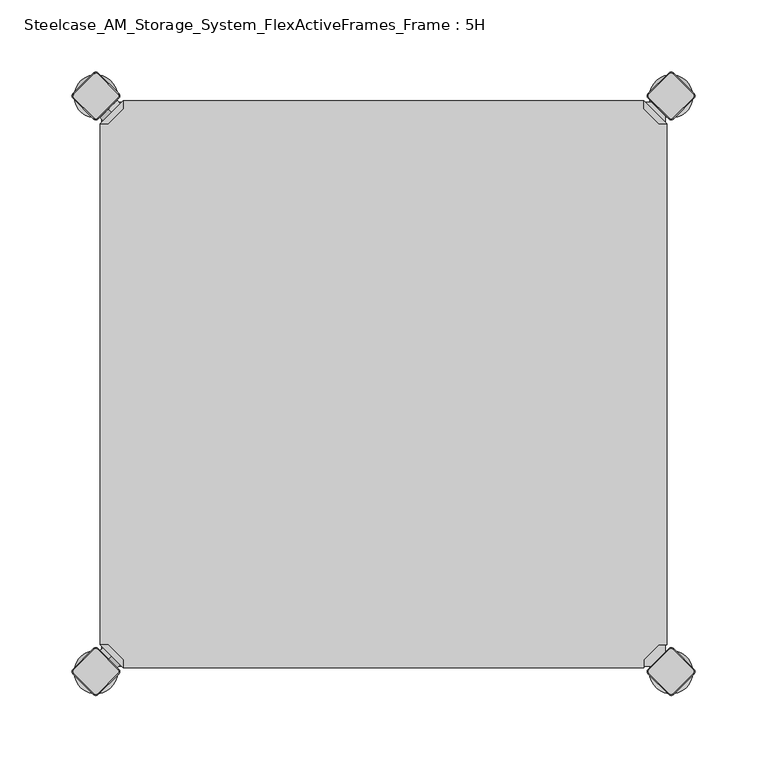
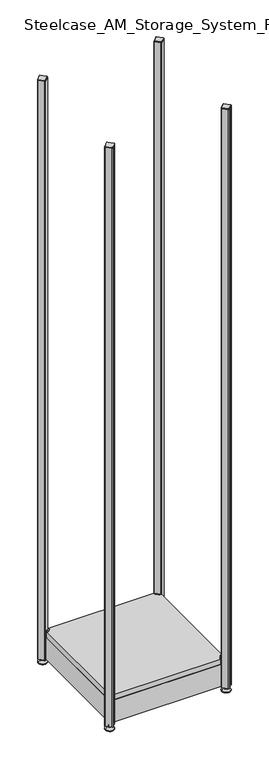
"""IFC4 building model written with IfcOpenShell, lengths in millimetres: furniture geometry, Steelcase_AM_Storage_System_FlexActiveFrames_Frame : 5H."""

from ifc_helpers import new_model, si_unit, point, frame, frame_2d, origin, place, context, project, spatial, polyline, circle_curve, trimmed, segment, composite_curve, outline, extrude, source, transform, mapped, element, save
from ifc_brep_helpers import plane_surface, cylinder_surface, revolved_surface, advanced_brep


def steelcase_am_storage_system_flexactiveframes_frame_5h_4ddd023f(model_context):
    return source(origin(), model_context, "Body", "SolidModel", [
        advanced_brep(
        [(381.0796898, 397.0, 117.0), (381.0796898, 391.3431458, 117.0), (391.3431458, 381.0796898, 117.0), (397.0, 381.0796898, 117.0), (397.0, 381.0796898, 98.0), (397.0, 381.0796898, 97.0), (381.0796898, 397.0, 97.0), (381.0796898, 397.0, 98.0), (381.0796898, 391.3431458, 98.0), (391.3431458, 381.0796898, 98.0), (352.2702923, 368.1906025, 98.0), (368.1906025, 352.2702923, 98.0), (368.1906025, 352.2702923, 97.0), (352.2702923, 368.1906025, 97.0)],
        [
            (0, 1),
            (1, 2),
            (2, 3),
            (3, 0),
            (3, 4),
            (4, 5),
            (5, 6),
            (6, 7),
            (7, 0),
            (1, 8),
            (8, 9),
            (9, 2),
            (7, 8),
            (9, 4),
            (7, 10),
            (10, 11, circle_curve(frame((360.2304474, 360.2304474, 98.0), z_axis=(0.0, 0.0, 1.0), x_axis=(-1.0, 0.0, 0.0)), 11.2573593)),
            (11, 4),
            (5, 12),
            (12, 13, circle_curve(frame((360.2304474, 360.2304474, 97.0), z_axis=(0.0, 0.0, -1.0), x_axis=(-1.0, 0.0, 0.0)), 11.2573593)),
            (13, 6),
            (11, 12),
            (10, 13),
        ],
        [
            plane_surface(frame((438.8756299, 339.2040599, 117.0), z_axis=(0.0, 0.0, 1.0000000000000002), x_axis=(0.7071067811865511, -0.707106781186544, 0.0))),
            plane_surface(frame((381.0796898, 397.0, 117.0), z_axis=(0.707106781186544, 0.7071067811865511, 0.0), x_axis=(0.0, 0.0, -1.0))),
            plane_surface(frame((391.3431458, 381.0796898, 117.0), z_axis=(-0.7071067811865527, -0.7071067811865424, 0.0), x_axis=(0.0, 0.0, -1.0))),
            plane_surface(frame((381.0796898, 391.3431458, 117.0), z_axis=(-1.0, 0.0, 0.0), x_axis=(0.0, 0.0, -1.0))),
            plane_surface(frame((397.0, 381.0796898, 117.0), z_axis=(0.0, -1.0, 0.0), x_axis=(0.0, 0.0, -1.0))),
            plane_surface(frame((397.0, 381.0796898, 98.0), z_axis=(0.0, 0.0, 1.0), x_axis=(0.7071067811865439, -0.7071067811865511, 0.0))),
            plane_surface(frame((397.0, 381.0796898, 97.0), z_axis=(0.0, 0.0, -1.0), x_axis=(-0.7071067811865439, 0.7071067811865511, 0.0))),
            plane_surface(frame((397.0, 381.0796898, 98.0), z_axis=(0.7071067811865446, -0.7071067811865506, 0.0), x_axis=(0.0, 0.0, -1.0))),
            cylinder_surface(frame((360.2304474, 360.2304474, 97.0), z_axis=(0.0, 0.0, 1.0), x_axis=(-1.0, 0.0, 0.0)), 11.2573593),
            plane_surface(frame((352.2702923, 368.1906025, 98.0), z_axis=(-0.7071067811865435, 0.7071067811865517, 0.0), x_axis=(0.0, 0.0, -1.0))),
        ],
        [
            (0, [[1, 2, 3, 4]]),
            (1, [[5, 6, 7, 8, 9, -4]]),
            (2, [[10, 11, 12, -2]]),
            (3, [[-9, 13, -10, -1]]),
            (4, [[-12, 14, -5, -3]]),
            (5, [[-14, -11, -13, 15, 16, 17]]),
            (6, [[-7, 18, 19, 20]]),
            (7, [[21, -18, -6, -17]]),
            (8, [[22, -19, -21, -16]]),
            (9, [[-8, -20, -22, -15]]),
        ],
    ),
        advanced_brep(
        [(10.9601551, 389.0398449, 98.5), (10.9601551, 389.0398449, 115.5), (10.9601551, 389.0398449, 107.0), (8.8388348, 391.1611652, 98.5), (8.8388348, 391.1611652, 115.5), (8.8388348, 391.1611652, 107.0)],
        [
            (0, 1, circle_curve(frame((10.9601551, 389.0398449, 107.0), z_axis=(0.7071067811865509, -0.7071067811865441, 0.0), x_axis=(0.0, 0.0, 1.0)), 8.5)),
            (1, 2),
            (2, 0),
            (1, 0, circle_curve(frame((10.9601551, 389.0398449, 107.0), z_axis=(0.7071067811865509, -0.7071067811865441, 0.0), x_axis=(0.0, 0.0, 1.0)), 8.5)),
            (3, 4, circle_curve(frame((8.8388348, 391.1611652, 107.0), z_axis=(0.7071067811865509, -0.7071067811865441, 0.0), x_axis=(0.0, 0.0, 1.0)), 8.5)),
            (4, 1),
            (0, 3),
            (4, 3, circle_curve(frame((8.8388348, 391.1611652, 107.0), z_axis=(0.7071067811865509, -0.7071067811865441, 0.0), x_axis=(0.0, 0.0, 1.0)), 8.5)),
            (5, 4),
            (3, 5),
        ],
        [
            plane_surface(frame((10.9601551, 389.0398449, 107.0), z_axis=(0.7071067811865506, -0.7071067811865446, 0.0), x_axis=(0.0, 0.0, 1.0))),
            cylinder_surface(frame((8.8388348, 391.1611652, 107.0), z_axis=(-0.7071067811865509, 0.7071067811865441, 0.0), x_axis=(0.0, 0.0, 1.0)), 8.5),
            plane_surface(frame((8.8388348, 391.1611652, 107.0), z_axis=(-0.7071067811865506, 0.7071067811865446, 0.0), x_axis=(0.0, 0.0, 1.0))),
        ],
        [
            (0, [[1, 2, 3]]),
            (0, [[4, -3, -2]]),
            (1, [[5, 6, -1, 7]]),
            (1, [[8, -7, -4, -6]]),
            (2, [[9, -5, 10]]),
            (2, [[-10, -8, -9]]),
        ],
    ),
        advanced_brep(
        [(18.9203102, 397.0, 117.0), (3.0, 381.0796898, 117.0), (8.6568542, 381.0796898, 117.0), (18.9203102, 391.3431458, 117.0), (18.9203102, 397.0, 98.0), (18.9203102, 397.0, 97.0), (3.0, 381.0796898, 97.0), (3.0, 381.0796898, 98.0), (8.6568542, 381.0796898, 98.0), (18.9203102, 391.3431458, 98.0), (31.8093975, 352.2702923, 98.0), (47.7297077, 368.1906025, 98.0), (47.7297077, 368.1906025, 97.0), (31.8093975, 352.2702923, 97.0)],
        [
            (0, 1),
            (1, 2),
            (2, 3),
            (3, 0),
            (0, 4),
            (4, 5),
            (5, 6),
            (6, 7),
            (7, 1),
            (2, 8),
            (8, 9),
            (9, 3),
            (9, 4),
            (7, 8),
            (7, 10),
            (10, 11, circle_curve(frame((39.7695526, 360.2304474, 98.0), z_axis=(0.0, 0.0, 1.0), x_axis=(1.0, 0.0, 0.0)), 11.2573593)),
            (11, 4),
            (5, 12),
            (12, 13, circle_curve(frame((39.7695526, 360.2304474, 97.0), z_axis=(0.0, 0.0, -1.0), x_axis=(1.0, 0.0, 0.0)), 11.2573593)),
            (13, 6),
            (13, 10),
            (12, 11),
        ],
        [
            plane_surface(frame((-38.8756299, 339.2040599, 117.0), z_axis=(0.0, 0.0, 1.0000000000000002), x_axis=(-0.7071067811865511, -0.707106781186544, 0.0))),
            plane_surface(frame((18.9203102, 397.0, 117.0), z_axis=(-0.707106781186544, 0.7071067811865511, 0.0), x_axis=(0.0, 0.0, -1.0))),
            plane_surface(frame((8.6568542, 381.0796898, 117.0), z_axis=(0.7071067811865527, -0.7071067811865424, 0.0), x_axis=(0.0, 0.0, -1.0))),
            plane_surface(frame((18.9203102, 391.3431458, 117.0), z_axis=(1.0, 0.0, 0.0), x_axis=(0.0, 0.0, -1.0))),
            plane_surface(frame((3.0, 381.0796898, 117.0), z_axis=(0.0, -1.0, 0.0), x_axis=(0.0, 0.0, -1.0))),
            plane_surface(frame((3.0, 381.0796898, 98.0), z_axis=(0.0, 0.0, 1.0), x_axis=(-0.7071067811865439, -0.7071067811865511, 0.0))),
            plane_surface(frame((3.0, 381.0796898, 97.0), z_axis=(0.0, 0.0, -1.0), x_axis=(0.7071067811865439, 0.7071067811865511, 0.0))),
            plane_surface(frame((3.0, 381.0796898, 98.0), z_axis=(-0.7071067811865446, -0.7071067811865506, 0.0), x_axis=(0.0, 0.0, -1.0))),
            cylinder_surface(frame((39.7695526, 360.2304474, 97.0), z_axis=(0.0, 0.0, 1.0), x_axis=(1.0, 0.0, 0.0)), 11.2573593),
            plane_surface(frame((47.7297077, 368.1906025, 98.0), z_axis=(0.7071067811865435, 0.7071067811865517, 0.0), x_axis=(0.0, 0.0, -1.0))),
        ],
        [
            (0, [[1, 2, 3, 4]]),
            (1, [[-1, 5, 6, 7, 8, 9]]),
            (2, [[-3, 10, 11, 12]]),
            (3, [[-4, -12, 13, -5]]),
            (4, [[-2, -9, 14, -10]]),
            (5, [[15, 16, 17, -13, -11, -14]]),
            (6, [[18, 19, 20, -7]]),
            (7, [[-15, -8, -20, 21]]),
            (8, [[-16, -21, -19, 22]]),
            (9, [[-17, -22, -18, -6]]),
        ],
    ),
        advanced_brep(
        [(10.9601551, 10.9601551, 98.5), (10.9601551, 10.9601551, 107.0), (10.9601551, 10.9601551, 115.5), (8.8388348, 8.8388348, 98.5), (8.8388348, 8.8388348, 115.5), (8.8388348, 8.8388348, 107.0)],
        [
            (0, 1),
            (1, 2),
            (2, 0, circle_curve(frame((10.9601551, 10.9601551, 107.0), z_axis=(0.7071067811865464, 0.7071067811865487, 0.0), x_axis=(0.0, 0.0, 1.0)), 8.5)),
            (0, 2, circle_curve(frame((10.9601551, 10.9601551, 107.0), z_axis=(0.7071067811865464, 0.7071067811865487, 0.0), x_axis=(0.0, 0.0, 1.0)), 8.5)),
            (3, 0),
            (2, 4),
            (4, 3, circle_curve(frame((8.8388348, 8.8388348, 107.0), z_axis=(0.7071067811865464, 0.7071067811865487, 0.0), x_axis=(0.0, 0.0, 1.0)), 8.5)),
            (3, 4, circle_curve(frame((8.8388348, 8.8388348, 107.0), z_axis=(0.7071067811865464, 0.7071067811865487, 0.0), x_axis=(0.0, 0.0, 1.0)), 8.5)),
            (5, 3),
            (4, 5),
        ],
        [
            plane_surface(frame((10.9601551, 10.9601551, 107.0), z_axis=(0.707106781186546, 0.7071067811865491, 0.0), x_axis=(0.0, 0.0, 1.0))),
            cylinder_surface(frame((8.8388348, 8.8388348, 107.0), z_axis=(-0.7071067811865464, -0.7071067811865487, 0.0), x_axis=(0.0, 0.0, 1.0)), 8.5),
            plane_surface(frame((8.8388348, 8.8388348, 107.0), z_axis=(-0.707106781186546, -0.7071067811865491, 0.0), x_axis=(0.0, 0.0, 1.0))),
        ],
        [
            (0, [[1, 2, 3]]),
            (0, [[-2, -1, 4]]),
            (1, [[5, -3, 6, 7]]),
            (1, [[-6, -4, -5, 8]]),
            (2, [[9, -7, 10]]),
            (2, [[-10, -8, -9]]),
        ],
    ),
        advanced_brep(
        [(18.9203102, 3.0, 117.0), (18.9203102, 8.6568542, 117.0), (8.6568542, 18.9203102, 117.0), (3.0, 18.9203102, 117.0), (3.0, 18.9203102, 98.0), (3.0, 18.9203102, 97.0), (18.9203102, 3.0, 97.0), (18.9203102, 3.0, 98.0), (18.9203102, 8.6568542, 98.0), (8.6568542, 18.9203102, 98.0), (47.7297077, 31.8093975, 98.0), (31.8093975, 47.7297077, 98.0), (31.8093975, 47.7297077, 97.0), (47.7297077, 31.8093975, 97.0)],
        [
            (0, 1),
            (1, 2),
            (2, 3),
            (3, 0),
            (3, 4),
            (4, 5),
            (5, 6),
            (6, 7),
            (7, 0),
            (1, 8),
            (8, 9),
            (9, 2),
            (7, 8),
            (9, 4),
            (7, 10),
            (10, 11, circle_curve(frame((39.7695526, 39.7695526, 98.0), z_axis=(0.0, 0.0, 1.0), x_axis=(1.0, 0.0, 0.0)), 11.2573593)),
            (11, 4),
            (5, 12),
            (12, 13, circle_curve(frame((39.7695526, 39.7695526, 97.0), z_axis=(0.0, 0.0, -1.0), x_axis=(1.0, 0.0, 0.0)), 11.2573593)),
            (13, 6),
            (11, 12),
            (10, 13),
        ],
        [
            plane_surface(frame((-38.8756299, 60.7959401, 117.0), z_axis=(0.0, 0.0, 1.0000000000000002), x_axis=(-0.7071067811865557, 0.7071067811865395, 0.0))),
            plane_surface(frame((18.9203102, 3.0, 117.0), z_axis=(-0.7071067811865395, -0.7071067811865557, 0.0), x_axis=(0.0, 0.0, -1.0))),
            plane_surface(frame((8.6568542, 18.9203102, 117.0), z_axis=(0.7071067811865481, 0.7071067811865469, 0.0), x_axis=(0.0, 0.0, -1.0))),
            plane_surface(frame((18.9203102, 8.6568542, 117.0), z_axis=(1.0, 0.0, 0.0), x_axis=(0.0, 0.0, -1.0))),
            plane_surface(frame((3.0, 18.9203102, 117.0), z_axis=(0.0, 1.0, 0.0), x_axis=(0.0, 0.0, -1.0))),
            plane_surface(frame((3.0, 18.9203102, 98.0), z_axis=(0.0, 0.0, 1.0), x_axis=(-0.7071067811865485, 0.7071067811865466, 0.0))),
            plane_surface(frame((3.0, 18.9203102, 97.0), z_axis=(0.0, 0.0, -1.0), x_axis=(0.7071067811865485, -0.7071067811865466, 0.0))),
            plane_surface(frame((3.0, 18.9203102, 98.0), z_axis=(-0.7071067811865491, 0.707106781186546, 0.0), x_axis=(0.0, 0.0, -1.0))),
            cylinder_surface(frame((39.7695526, 39.7695526, 97.0), z_axis=(0.0, 0.0, 1.0), x_axis=(1.0, 0.0, 0.0)), 11.2573593),
            plane_surface(frame((47.7297077, 31.8093975, 98.0), z_axis=(0.707106781186548, -0.7071067811865471, 0.0), x_axis=(0.0, 0.0, -1.0))),
        ],
        [
            (0, [[1, 2, 3, 4]]),
            (1, [[5, 6, 7, 8, 9, -4]]),
            (2, [[10, 11, 12, -2]]),
            (3, [[-9, 13, -10, -1]]),
            (4, [[-12, 14, -5, -3]]),
            (5, [[-14, -11, -13, 15, 16, 17]]),
            (6, [[-7, 18, 19, 20]]),
            (7, [[21, -18, -6, -17]]),
            (8, [[22, -19, -21, -16]]),
            (9, [[-8, -20, -22, -15]]),
        ],
    ),
        extrude(outline(polyline([(381.0796898, 3.0), (18.9203102, 3.0), (18.9203102, 8.6568542), (8.6568542, 18.9203102), (3.0, 18.9203102), (3.0, 381.0796898), (8.6568542, 381.0796898), (18.9203102, 391.3431458), (18.9203102, 397.0), (381.0796898, 397.0), (381.0796898, 391.3431458), (391.3431458, 381.0796898), (397.0, 381.0796898), (397.0, 18.9203102), (391.3431458, 18.9203102), (381.0796898, 8.6568542), (381.0796898, 3.0)])), frame((0.0, 0.0, 98.0), z_axis=(0.0, 0.0, 1.0), x_axis=(1.0, 0.0, 0.0)), (0.0, 0.0, 1.0), 19.0),
        advanced_brep(
        [(385.0, 400.0, 0.0), (400.0, 400.0, 0.0), (415.0, 400.0, 0.0), (385.0, 400.0, 2.0), (415.0, 400.0, 2.0), (392.0, 400.0, 9.0), (408.0, 400.0, 9.0), (396.0, 400.0, 9.0), (404.0, 400.0, 9.0), (396.0, 400.0, 15.0), (404.0, 400.0, 15.0), (400.0, 400.0, 15.0)],
        [
            (0, 1),
            (1, 2),
            (2, 0, circle_curve(frame((400.0, 400.0, 0.0), z_axis=(0.0, 0.0, -1.0), x_axis=(1.0, 0.0, 0.0)), 15.0)),
            (0, 2, circle_curve(frame((400.0, 400.0, 0.0), z_axis=(0.0, 0.0, -1.0), x_axis=(1.0, 0.0, 0.0)), 15.0)),
            (3, 0),
            (2, 4),
            (4, 3, circle_curve(frame((400.0, 400.0, 2.0), z_axis=(0.0, 0.0, -1.0), x_axis=(1.0, 0.0, 0.0)), 15.0)),
            (3, 4, circle_curve(frame((400.0, 400.0, 2.0), z_axis=(0.0, 0.0, -1.0), x_axis=(1.0, 0.0, 0.0)), 15.0)),
            (5, 3),
            (4, 6),
            (6, 5, circle_curve(frame((400.0, 400.0, 9.0), z_axis=(0.0, 0.0, -1.0), x_axis=(1.0, 0.0, 0.0)), 8.0)),
            (5, 6, circle_curve(frame((400.0, 400.0, 9.0), z_axis=(0.0, 0.0, -1.0), x_axis=(1.0, 0.0, 0.0)), 8.0)),
            (7, 5),
            (6, 8),
            (8, 7, circle_curve(frame((400.0, 400.0, 9.0), z_axis=(0.0, 0.0, -1.0), x_axis=(1.0, 0.0, 0.0)), 4.0)),
            (7, 8, circle_curve(frame((400.0, 400.0, 9.0), z_axis=(0.0, 0.0, -1.0), x_axis=(1.0, 0.0, 0.0)), 4.0)),
            (9, 7),
            (8, 10),
            (10, 9, circle_curve(frame((400.0, 400.0, 15.0), z_axis=(0.0, 0.0, -1.0), x_axis=(1.0, 0.0, 0.0)), 4.0)),
            (9, 10, circle_curve(frame((400.0, 400.0, 15.0), z_axis=(0.0, 0.0, -1.0), x_axis=(1.0, 0.0, 0.0)), 4.0)),
            (11, 9),
            (10, 11),
        ],
        [
            plane_surface(frame((400.0, 400.0, 0.0), z_axis=(0.0, 0.0, -1.0), x_axis=(1.0, 0.0, 0.0))),
            cylinder_surface(frame((400.0, 400.0, 18.6083303), z_axis=(0.0, 0.0, 1.0), x_axis=(1.0, 0.0, 0.0)), 15.0),
            revolved_surface(polyline([(415.0, 400.0, 2.0), (408.0, 400.0, 9.0)]), (400.0, 400.0, 18.6083303), (0.0, 0.0, 1.0)),
            plane_surface(frame((400.0, 400.0, 9.0), z_axis=(0.0, 0.0, 1.0), x_axis=(1.0, 0.0, 0.0))),
            cylinder_surface(frame((400.0, 400.0, 18.6083303), z_axis=(0.0, 0.0, 1.0), x_axis=(1.0, 0.0, 0.0)), 4.0),
            plane_surface(frame((400.0, 400.0, 15.0), z_axis=(0.0, 0.0, 1.0), x_axis=(1.0, 0.0, 0.0))),
        ],
        [
            (0, [[1, 2, 3]]),
            (0, [[-2, -1, 4]]),
            (1, [[5, -3, 6, 7]]),
            (1, [[-6, -4, -5, 8]]),
            (2, [[9, -7, 10, 11]]),
            (2, [[-10, -8, -9, 12]]),
            (3, [[13, -11, 14, 15]]),
            (3, [[-14, -12, -13, 16]]),
            (4, [[17, -15, 18, 19]]),
            (4, [[-18, -16, -17, 20]]),
            (5, [[21, -19, 22]]),
            (5, [[-22, -20, -21]]),
        ],
    ),
        advanced_brep(
        [(398.7979185, 384.6557828, 2117.0), (401.2020815, 384.6557828, 2117.0), (415.3442172, 398.7979185, 2117.0), (415.3442172, 401.2020815, 2117.0), (401.2020815, 415.3442172, 2117.0), (398.7979185, 415.3442172, 2117.0), (384.6557828, 401.2020815, 2117.0), (384.6557828, 398.7979185, 2117.0), (398.232233, 384.0900974, 2115.0), (384.0900974, 398.232233, 2115.0), (384.0900974, 401.767767, 2115.0), (398.232233, 415.9099026, 2115.0), (401.767767, 415.9099026, 2115.0), (415.9099026, 401.767767, 2115.0), (415.9099026, 398.232233, 2115.0), (401.767767, 384.0900974, 2115.0)],
        [
            (0, 1, circle_curve(frame((400.0, 385.8578644, 2117.0), z_axis=(0.0, 0.0, 1.0), x_axis=(0.7071067811865458, -0.7071067811865492, 0.0)), 1.7)),
            (1, 2),
            (2, 3, circle_curve(frame((414.1421356, 400.0, 2117.0), z_axis=(0.0, 0.0, 1.0), x_axis=(0.707106781186539, 0.7071067811865559, 0.0)), 1.7)),
            (3, 4),
            (4, 5, circle_curve(frame((400.0, 414.1421356, 2117.0), z_axis=(0.0, 0.0, 1.0), x_axis=(-0.7071067811865491, 0.707106781186546, 0.0)), 1.7)),
            (5, 6),
            (6, 7, circle_curve(frame((385.8578644, 400.0, 2117.0), z_axis=(0.0, 0.0, 1.0), x_axis=(-0.7071067811865537, -0.7071067811865414, 0.0)), 1.7)),
            (7, 0),
            (8, 9),
            (9, 10, circle_curve(frame((385.8578644, 400.0, 2115.0), z_axis=(0.0, 0.0, -1.0), x_axis=(-0.7071067811865537, -0.7071067811865414, 0.0)), 2.5)),
            (10, 11),
            (11, 12, circle_curve(frame((400.0, 414.1421356, 2115.0), z_axis=(0.0, 0.0, -1.0), x_axis=(-0.7071067811865491, 0.707106781186546, 0.0)), 2.5)),
            (12, 13),
            (13, 14, circle_curve(frame((414.1421356, 400.0, 2115.0), z_axis=(0.0, 0.0, -1.0), x_axis=(0.707106781186539, 0.7071067811865559, 0.0)), 2.5)),
            (14, 15),
            (15, 8, circle_curve(frame((400.0, 385.8578644, 2115.0), z_axis=(0.0, 0.0, -1.0), x_axis=(0.7071067811865458, -0.7071067811865492, 0.0)), 2.5)),
            (8, 0),
            (7, 9),
            (6, 10),
            (5, 11),
            (4, 12),
            (3, 13),
            (2, 14),
            (1, 15),
        ],
        [
            plane_surface(frame((400.0, 400.0, 2117.0), z_axis=(0.0, 0.0, 1.0), x_axis=(-0.7071067811865486, -0.7071067811865466, 0.0))),
            plane_surface(frame((400.0, 400.0, 2115.0), z_axis=(0.0, 0.0, -1.0), x_axis=(-0.7071067811865486, -0.7071067811865466, 0.0))),
            plane_surface(frame((391.1611652, 391.1611652, 2115.0), z_axis=(-0.6565321642986406, -0.656532164298628, 0.3713906763540281), x_axis=(-0.7071067811865408, 0.7071067811865543, 0.0))),
            revolved_surface(polyline([(384.65578284, 398.79791844, 2117.0), (384.0900974, 398.232233, 2115.0)]), (385.8578644, 400.0, 2121.25), (0.0, 0.0, -1.0)),
            plane_surface(frame((391.1611652, 408.8388348, 2115.0), z_axis=(-0.6565321642986325, 0.6565321642986414, 0.3713906763540188), x_axis=(0.7071067811865523, 0.7071067811865428, 0.0))),
            revolved_surface(polyline([(398.79791844, 415.34421716, 2117.0), (398.232233, 415.9099026, 2115.0)]), (400.0, 414.1421356, 2121.25), (0.0, 0.0, -1.0)),
            plane_surface(frame((408.8388348, 408.8388348, 2115.0), z_axis=(0.6565321642986457, 0.6565321642986508, 0.3713906763539787), x_axis=(0.7071067811865541, -0.707106781186541, 0.0))),
            revolved_surface(polyline([(415.34421716, 401.20208156, 2117.0), (415.9099026, 401.767767, 2115.0)]), (414.1421356, 400.0, 2121.25), (0.0, 0.0, -1.0)),
            plane_surface(frame((408.8388348, 391.1611652, 2115.0), z_axis=(0.656532164298657, -0.6565321642986371, 0.37139067635398293), x_axis=(-0.7071067811865407, -0.7071067811865545, 0.0))),
            revolved_surface(polyline([(401.20208156, 384.65578284, 2117.0), (401.767767, 384.0900974, 2115.0)]), (400.0, 385.8578644, 2121.25), (0.0, 0.0, -1.0)),
        ],
        [
            (0, [[1, 2, 3, 4, 5, 6, 7, 8]]),
            (1, [[9, 10, 11, 12, 13, 14, 15, 16]]),
            (2, [[17, -8, 18, -9]]),
            (3, [[-18, -7, 19, -10]]),
            (4, [[-19, -6, 20, -11]]),
            (5, [[-20, -5, 21, -12]]),
            (6, [[-21, -4, 22, -13]]),
            (7, [[-22, -3, 23, -14]]),
            (8, [[-23, -2, 24, -15]]),
            (9, [[-24, -1, -17, -16]]),
        ],
    ),
        extrude(outline(composite_curve([segment(polyline([(415.9099026, 398.232233), (401.767767, 384.0900974)]), True, "CONTINUOUS"), segment(trimmed(circle_curve(frame_2d((400.0, 385.8578644)), 2.5), [point((401.767767, 384.0900974))], [point((398.232233, 384.0900974))], False, "CARTESIAN"), True, "CONTINUOUS"), segment(polyline([(398.232233, 384.0900974), (384.0900974, 398.232233)]), True, "CONTINUOUS"), segment(trimmed(circle_curve(frame_2d((385.8578644, 400.0)), 2.5), [point((384.0900974, 398.232233))], [point((384.0900974, 401.767767))], False, "CARTESIAN"), True, "CONTINUOUS"), segment(polyline([(384.0900974, 401.767767), (398.232233, 415.9099026)]), True, "CONTINUOUS"), segment(trimmed(circle_curve(frame_2d((400.0, 414.1421356)), 2.5), [point((398.232233, 415.9099026))], [point((401.767767, 415.9099026))], False, "CARTESIAN"), True, "CONTINUOUS"), segment(polyline([(401.767767, 415.9099026), (415.9099026, 401.767767)]), True, "CONTINUOUS"), segment(trimmed(circle_curve(frame_2d((414.1421356, 400.0)), 2.5), [point((415.9099026, 401.767767))], [point((415.9099026, 398.232233))], False, "CARTESIAN"), True, "CONTINUOUS")], self_intersect=False)), frame((0.0, 0.0, 15.0), z_axis=(0.0, 0.0, 1.0), x_axis=(1.0, 0.0, 0.0)), (0.0, 0.0, 1.0), 2100.0),
        advanced_brep(
        [(385.0, 0.0, 0.0), (400.0, 0.0, 0.0), (415.0, 0.0, 0.0), (385.0, 0.0, 2.0), (415.0, 0.0, 2.0), (392.0, 0.0, 9.0), (408.0, 0.0, 9.0), (396.0, 0.0, 9.0), (404.0, 0.0, 9.0), (396.0, 0.0, 15.0), (404.0, 0.0, 15.0), (400.0, 0.0, 15.0)],
        [
            (0, 1),
            (1, 2),
            (2, 0, circle_curve(frame((400.0, 0.0, 0.0), z_axis=(0.0, 0.0, -1.0), x_axis=(1.0, 0.0, 0.0)), 15.0)),
            (0, 2, circle_curve(frame((400.0, 0.0, 0.0), z_axis=(0.0, 0.0, -1.0), x_axis=(1.0, 0.0, 0.0)), 15.0)),
            (3, 0),
            (2, 4),
            (4, 3, circle_curve(frame((400.0, 0.0, 2.0), z_axis=(0.0, 0.0, -1.0), x_axis=(1.0, 0.0, 0.0)), 15.0)),
            (3, 4, circle_curve(frame((400.0, 0.0, 2.0), z_axis=(0.0, 0.0, -1.0), x_axis=(1.0, 0.0, 0.0)), 15.0)),
            (5, 3),
            (4, 6),
            (6, 5, circle_curve(frame((400.0, 0.0, 9.0), z_axis=(0.0, 0.0, -1.0), x_axis=(1.0, 0.0, 0.0)), 8.0)),
            (5, 6, circle_curve(frame((400.0, 0.0, 9.0), z_axis=(0.0, 0.0, -1.0), x_axis=(1.0, 0.0, 0.0)), 8.0)),
            (7, 5),
            (6, 8),
            (8, 7, circle_curve(frame((400.0, 0.0, 9.0), z_axis=(0.0, 0.0, -1.0), x_axis=(1.0, 0.0, 0.0)), 4.0)),
            (7, 8, circle_curve(frame((400.0, 0.0, 9.0), z_axis=(0.0, 0.0, -1.0), x_axis=(1.0, 0.0, 0.0)), 4.0)),
            (9, 7),
            (8, 10),
            (10, 9, circle_curve(frame((400.0, 0.0, 15.0), z_axis=(0.0, 0.0, -1.0), x_axis=(1.0, 0.0, 0.0)), 4.0)),
            (9, 10, circle_curve(frame((400.0, 0.0, 15.0), z_axis=(0.0, 0.0, -1.0), x_axis=(1.0, 0.0, 0.0)), 4.0)),
            (11, 9),
            (10, 11),
        ],
        [
            plane_surface(frame((400.0, 0.0, 0.0), z_axis=(0.0, 0.0, -1.0), x_axis=(1.0, 0.0, 0.0))),
            cylinder_surface(frame((400.0, 0.0, 18.6083303), z_axis=(0.0, 0.0, 1.0), x_axis=(1.0, 0.0, 0.0)), 15.0),
            revolved_surface(polyline([(415.0, 0.0, 2.0), (408.0, 0.0, 9.0)]), (400.0, 0.0, 18.6083303), (0.0, 0.0, 1.0)),
            plane_surface(frame((400.0, 0.0, 9.0), z_axis=(0.0, 0.0, 1.0), x_axis=(1.0, 0.0, 0.0))),
            cylinder_surface(frame((400.0, 0.0, 18.6083303), z_axis=(0.0, 0.0, 1.0), x_axis=(1.0, 0.0, 0.0)), 4.0),
            plane_surface(frame((400.0, 0.0, 15.0), z_axis=(0.0, 0.0, 1.0), x_axis=(1.0, 0.0, 0.0))),
        ],
        [
            (0, [[1, 2, 3]]),
            (0, [[-2, -1, 4]]),
            (1, [[5, -3, 6, 7]]),
            (1, [[-6, -4, -5, 8]]),
            (2, [[9, -7, 10, 11]]),
            (2, [[-10, -8, -9, 12]]),
            (3, [[13, -11, 14, 15]]),
            (3, [[-14, -12, -13, 16]]),
            (4, [[17, -15, 18, 19]]),
            (4, [[-18, -16, -17, 20]]),
            (5, [[21, -19, 22]]),
            (5, [[-22, -20, -21]]),
        ],
    ),
        advanced_brep(
        [(398.7979185, -15.3442172, 2117.0), (401.2020815, -15.3442172, 2117.0), (415.3442172, -1.2020815, 2117.0), (415.3442172, 1.2020815, 2117.0), (401.2020815, 15.3442172, 2117.0), (398.7979185, 15.3442172, 2117.0), (384.6557828, 1.2020815, 2117.0), (384.6557828, -1.2020815, 2117.0), (398.232233, -15.9099026, 2115.0), (384.0900974, -1.767767, 2115.0), (384.0900974, 1.767767, 2115.0), (398.232233, 15.9099026, 2115.0), (401.767767, 15.9099026, 2115.0), (415.9099026, 1.767767, 2115.0), (415.9099026, -1.767767, 2115.0), (401.767767, -15.9099026, 2115.0)],
        [
            (0, 1, circle_curve(frame((400.0, -14.1421356, 2117.0), z_axis=(0.0, 0.0, 1.0), x_axis=(0.7071067811865458, -0.7071067811865492, 0.0)), 1.7)),
            (1, 2),
            (2, 3, circle_curve(frame((414.1421356, 0.0, 2117.0), z_axis=(0.0, 0.0, 1.0), x_axis=(0.707106781186539, 0.7071067811865559, 0.0)), 1.7)),
            (3, 4),
            (4, 5, circle_curve(frame((400.0, 14.1421356, 2117.0), z_axis=(0.0, 0.0, 1.0), x_axis=(-0.7071067811865491, 0.707106781186546, 0.0)), 1.7)),
            (5, 6),
            (6, 7, circle_curve(frame((385.8578644, 0.0, 2117.0), z_axis=(0.0, 0.0, 1.0), x_axis=(-0.7071067811865537, -0.7071067811865414, 0.0)), 1.7)),
            (7, 0),
            (8, 9),
            (9, 10, circle_curve(frame((385.8578644, 0.0, 2115.0), z_axis=(0.0, 0.0, -1.0), x_axis=(-0.7071067811865537, -0.7071067811865414, 0.0)), 2.5)),
            (10, 11),
            (11, 12, circle_curve(frame((400.0, 14.1421356, 2115.0), z_axis=(0.0, 0.0, -1.0), x_axis=(-0.7071067811865491, 0.707106781186546, 0.0)), 2.5)),
            (12, 13),
            (13, 14, circle_curve(frame((414.1421356, 0.0, 2115.0), z_axis=(0.0, 0.0, -1.0), x_axis=(0.707106781186539, 0.7071067811865559, 0.0)), 2.5)),
            (14, 15),
            (15, 8, circle_curve(frame((400.0, -14.1421356, 2115.0), z_axis=(0.0, 0.0, -1.0), x_axis=(0.7071067811865458, -0.7071067811865492, 0.0)), 2.5)),
            (8, 0),
            (7, 9),
            (6, 10),
            (5, 11),
            (4, 12),
            (3, 13),
            (2, 14),
            (1, 15),
        ],
        [
            plane_surface(frame((400.0, 0.0, 2117.0), z_axis=(0.0, 0.0, 1.0), x_axis=(-0.7071067811865486, -0.7071067811865466, 0.0))),
            plane_surface(frame((400.0, 0.0, 2115.0), z_axis=(0.0, 0.0, -1.0), x_axis=(-0.7071067811865486, -0.7071067811865466, 0.0))),
            plane_surface(frame((391.1611652, -8.8388348, 2115.0), z_axis=(-0.6565321642986406, -0.656532164298628, 0.3713906763540281), x_axis=(-0.7071067811865408, 0.7071067811865543, 0.0))),
            revolved_surface(polyline([(384.65578284, -1.20208156, 2117.0), (384.0900974, -1.767767, 2115.0)]), (385.8578644, 0.0, 2121.25), (0.0, 0.0, -1.0)),
            plane_surface(frame((391.1611652, 8.8388348, 2115.0), z_axis=(-0.6565321642986325, 0.6565321642986414, 0.3713906763540188), x_axis=(0.7071067811865523, 0.7071067811865428, 0.0))),
            revolved_surface(polyline([(398.79791844, 15.34421716, 2117.0), (398.232233, 15.9099026, 2115.0)]), (400.0, 14.1421356, 2121.25), (0.0, 0.0, -1.0)),
            plane_surface(frame((408.8388348, 8.8388348, 2115.0), z_axis=(0.6565321642986457, 0.6565321642986508, 0.3713906763539787), x_axis=(0.7071067811865541, -0.707106781186541, 0.0))),
            revolved_surface(polyline([(415.34421716, 1.20208156, 2117.0), (415.9099026, 1.767767, 2115.0)]), (414.1421356, 0.0, 2121.25), (0.0, 0.0, -1.0)),
            plane_surface(frame((408.8388348, -8.8388348, 2115.0), z_axis=(0.656532164298657, -0.6565321642986371, 0.37139067635398293), x_axis=(-0.7071067811865407, -0.7071067811865545, 0.0))),
            revolved_surface(polyline([(401.20208156, -15.34421716, 2117.0), (401.767767, -15.9099026, 2115.0)]), (400.0, -14.1421356, 2121.25), (0.0, 0.0, -1.0)),
        ],
        [
            (0, [[1, 2, 3, 4, 5, 6, 7, 8]]),
            (1, [[9, 10, 11, 12, 13, 14, 15, 16]]),
            (2, [[17, -8, 18, -9]]),
            (3, [[-18, -7, 19, -10]]),
            (4, [[-19, -6, 20, -11]]),
            (5, [[-20, -5, 21, -12]]),
            (6, [[-21, -4, 22, -13]]),
            (7, [[-22, -3, 23, -14]]),
            (8, [[-23, -2, 24, -15]]),
            (9, [[-24, -1, -17, -16]]),
        ],
    ),
        extrude(outline(composite_curve([segment(polyline([(415.9099026, -1.767767), (401.767767, -15.9099026)]), True, "CONTINUOUS"), segment(trimmed(circle_curve(frame_2d((400.0, -14.1421356)), 2.5), [point((401.767767, -15.9099026))], [point((398.232233, -15.9099026))], False, "CARTESIAN"), True, "CONTINUOUS"), segment(polyline([(398.232233, -15.9099026), (384.0900974, -1.767767)]), True, "CONTINUOUS"), segment(trimmed(circle_curve(frame_2d((385.8578644, 0.0)), 2.5), [point((384.0900974, -1.767767))], [point((384.0900974, 1.767767))], False, "CARTESIAN"), True, "CONTINUOUS"), segment(polyline([(384.0900974, 1.767767), (398.232233, 15.9099026)]), True, "CONTINUOUS"), segment(trimmed(circle_curve(frame_2d((400.0, 14.1421356)), 2.5), [point((398.232233, 15.9099026))], [point((401.767767, 15.9099026))], False, "CARTESIAN"), True, "CONTINUOUS"), segment(polyline([(401.767767, 15.9099026), (415.9099026, 1.767767)]), True, "CONTINUOUS"), segment(trimmed(circle_curve(frame_2d((414.1421356, 0.0)), 2.5), [point((415.9099026, 1.767767))], [point((415.9099026, -1.767767))], False, "CARTESIAN"), True, "CONTINUOUS")], self_intersect=False)), frame((0.0, 0.0, 15.0), z_axis=(0.0, 0.0, 1.0), x_axis=(1.0, 0.0, 0.0)), (0.0, 0.0, 1.0), 2100.0),
        advanced_brep(
        [(-15.0, 400.0, 0.0), (0.0, 400.0, 0.0), (15.0, 400.0, 0.0), (-15.0, 400.0, 2.0), (15.0, 400.0, 2.0), (-8.0, 400.0, 9.0), (8.0, 400.0, 9.0), (-4.0, 400.0, 9.0), (4.0, 400.0, 9.0), (-4.0, 400.0, 15.0), (4.0, 400.0, 15.0), (0.0, 400.0, 15.0)],
        [
            (0, 1),
            (1, 2),
            (2, 0, circle_curve(frame((0.0, 400.0, 0.0), z_axis=(0.0, 0.0, -1.0), x_axis=(1.0, 0.0, 0.0)), 15.0)),
            (0, 2, circle_curve(frame((0.0, 400.0, 0.0), z_axis=(0.0, 0.0, -1.0), x_axis=(1.0, 0.0, 0.0)), 15.0)),
            (3, 0),
            (2, 4),
            (4, 3, circle_curve(frame((0.0, 400.0, 2.0), z_axis=(0.0, 0.0, -1.0), x_axis=(1.0, 0.0, 0.0)), 15.0)),
            (3, 4, circle_curve(frame((0.0, 400.0, 2.0), z_axis=(0.0, 0.0, -1.0), x_axis=(1.0, 0.0, 0.0)), 15.0)),
            (5, 3),
            (4, 6),
            (6, 5, circle_curve(frame((0.0, 400.0, 9.0), z_axis=(0.0, 0.0, -1.0), x_axis=(1.0, 0.0, 0.0)), 8.0)),
            (5, 6, circle_curve(frame((0.0, 400.0, 9.0), z_axis=(0.0, 0.0, -1.0), x_axis=(1.0, 0.0, 0.0)), 8.0)),
            (7, 5),
            (6, 8),
            (8, 7, circle_curve(frame((0.0, 400.0, 9.0), z_axis=(0.0, 0.0, -1.0), x_axis=(1.0, 0.0, 0.0)), 4.0)),
            (7, 8, circle_curve(frame((0.0, 400.0, 9.0), z_axis=(0.0, 0.0, -1.0), x_axis=(1.0, 0.0, 0.0)), 4.0)),
            (9, 7),
            (8, 10),
            (10, 9, circle_curve(frame((0.0, 400.0, 15.0), z_axis=(0.0, 0.0, -1.0), x_axis=(1.0, 0.0, 0.0)), 4.0)),
            (9, 10, circle_curve(frame((0.0, 400.0, 15.0), z_axis=(0.0, 0.0, -1.0), x_axis=(1.0, 0.0, 0.0)), 4.0)),
            (11, 9),
            (10, 11),
        ],
        [
            plane_surface(frame((0.0, 400.0, 0.0), z_axis=(0.0, 0.0, -1.0), x_axis=(1.0, 0.0, 0.0))),
            cylinder_surface(frame((0.0, 400.0, 18.6083303), z_axis=(0.0, 0.0, 1.0), x_axis=(1.0, 0.0, 0.0)), 15.0),
            revolved_surface(polyline([(15.0, 400.0, 2.0), (8.0, 400.0, 9.0)]), (0.0, 400.0, 18.6083303), (0.0, 0.0, 1.0)),
            plane_surface(frame((0.0, 400.0, 9.0), z_axis=(0.0, 0.0, 1.0), x_axis=(1.0, 0.0, 0.0))),
            cylinder_surface(frame((0.0, 400.0, 18.6083303), z_axis=(0.0, 0.0, 1.0), x_axis=(1.0, 0.0, 0.0)), 4.0),
            plane_surface(frame((0.0, 400.0, 15.0), z_axis=(0.0, 0.0, 1.0), x_axis=(1.0, 0.0, 0.0))),
        ],
        [
            (0, [[1, 2, 3]]),
            (0, [[-2, -1, 4]]),
            (1, [[5, -3, 6, 7]]),
            (1, [[-6, -4, -5, 8]]),
            (2, [[9, -7, 10, 11]]),
            (2, [[-10, -8, -9, 12]]),
            (3, [[13, -11, 14, 15]]),
            (3, [[-14, -12, -13, 16]]),
            (4, [[17, -15, 18, 19]]),
            (4, [[-18, -16, -17, 20]]),
            (5, [[21, -19, 22]]),
            (5, [[-22, -20, -21]]),
        ],
    ),
        advanced_brep(
        [(-1.2020815, 384.6557828, 2117.0), (1.2020815, 384.6557828, 2117.0), (15.3442172, 398.7979185, 2117.0), (15.3442172, 401.2020815, 2117.0), (1.2020815, 415.3442172, 2117.0), (-1.2020815, 415.3442172, 2117.0), (-15.3442172, 401.2020815, 2117.0), (-15.3442172, 398.7979185, 2117.0), (-1.767767, 384.0900974, 2115.0), (-15.9099026, 398.232233, 2115.0), (-15.9099026, 401.767767, 2115.0), (-1.767767, 415.9099026, 2115.0), (1.767767, 415.9099026, 2115.0), (15.9099026, 401.767767, 2115.0), (15.9099026, 398.232233, 2115.0), (1.767767, 384.0900974, 2115.0)],
        [
            (0, 1, circle_curve(frame((0.0, 385.8578644, 2117.0), z_axis=(0.0, 0.0, 1.0), x_axis=(0.7071067811865458, -0.7071067811865492, 0.0)), 1.7)),
            (1, 2),
            (2, 3, circle_curve(frame((14.1421356, 400.0, 2117.0), z_axis=(0.0, 0.0, 1.0), x_axis=(0.707106781186539, 0.7071067811865559, 0.0)), 1.7)),
            (3, 4),
            (4, 5, circle_curve(frame((0.0, 414.1421356, 2117.0), z_axis=(0.0, 0.0, 1.0), x_axis=(-0.7071067811865491, 0.707106781186546, 0.0)), 1.7)),
            (5, 6),
            (6, 7, circle_curve(frame((-14.1421356, 400.0, 2117.0), z_axis=(0.0, 0.0, 1.0), x_axis=(-0.7071067811865537, -0.7071067811865414, 0.0)), 1.7)),
            (7, 0),
            (8, 9),
            (9, 10, circle_curve(frame((-14.1421356, 400.0, 2115.0), z_axis=(0.0, 0.0, -1.0), x_axis=(-0.7071067811865537, -0.7071067811865414, 0.0)), 2.5)),
            (10, 11),
            (11, 12, circle_curve(frame((0.0, 414.1421356, 2115.0), z_axis=(0.0, 0.0, -1.0), x_axis=(-0.7071067811865491, 0.707106781186546, 0.0)), 2.5)),
            (12, 13),
            (13, 14, circle_curve(frame((14.1421356, 400.0, 2115.0), z_axis=(0.0, 0.0, -1.0), x_axis=(0.707106781186539, 0.7071067811865559, 0.0)), 2.5)),
            (14, 15),
            (15, 8, circle_curve(frame((0.0, 385.8578644, 2115.0), z_axis=(0.0, 0.0, -1.0), x_axis=(0.7071067811865458, -0.7071067811865492, 0.0)), 2.5)),
            (8, 0),
            (7, 9),
            (6, 10),
            (5, 11),
            (4, 12),
            (3, 13),
            (2, 14),
            (1, 15),
        ],
        [
            plane_surface(frame((0.0, 400.0, 2117.0), z_axis=(0.0, 0.0, 1.0), x_axis=(-0.7071067811865486, -0.7071067811865466, 0.0))),
            plane_surface(frame((0.0, 400.0, 2115.0), z_axis=(0.0, 0.0, -1.0), x_axis=(-0.7071067811865486, -0.7071067811865466, 0.0))),
            plane_surface(frame((-8.8388348, 391.1611652, 2115.0), z_axis=(-0.6565321642986406, -0.656532164298628, 0.3713906763540281), x_axis=(-0.7071067811865408, 0.7071067811865543, 0.0))),
            revolved_surface(polyline([(-15.34421716, 398.79791844, 2117.0), (-15.9099026, 398.232233, 2115.0)]), (-14.1421356, 400.0, 2121.25), (0.0, 0.0, -1.0)),
            plane_surface(frame((-8.8388348, 408.8388348, 2115.0), z_axis=(-0.6565321642986325, 0.6565321642986414, 0.3713906763540188), x_axis=(0.7071067811865523, 0.7071067811865428, 0.0))),
            revolved_surface(polyline([(-1.20208156, 415.34421716, 2117.0), (-1.767767, 415.9099026, 2115.0)]), (0.0, 414.1421356, 2121.25), (0.0, 0.0, -1.0)),
            plane_surface(frame((8.8388348, 408.8388348, 2115.0), z_axis=(0.6565321642986457, 0.6565321642986508, 0.3713906763539787), x_axis=(0.7071067811865541, -0.707106781186541, 0.0))),
            revolved_surface(polyline([(15.34421716, 401.20208156, 2117.0), (15.9099026, 401.767767, 2115.0)]), (14.1421356, 400.0, 2121.25), (0.0, 0.0, -1.0)),
            plane_surface(frame((8.8388348, 391.1611652, 2115.0), z_axis=(0.656532164298657, -0.6565321642986371, 0.37139067635398293), x_axis=(-0.7071067811865407, -0.7071067811865545, 0.0))),
            revolved_surface(polyline([(1.20208156, 384.65578284, 2117.0), (1.767767, 384.0900974, 2115.0)]), (0.0, 385.8578644, 2121.25), (0.0, 0.0, -1.0)),
        ],
        [
            (0, [[1, 2, 3, 4, 5, 6, 7, 8]]),
            (1, [[9, 10, 11, 12, 13, 14, 15, 16]]),
            (2, [[17, -8, 18, -9]]),
            (3, [[-18, -7, 19, -10]]),
            (4, [[-19, -6, 20, -11]]),
            (5, [[-20, -5, 21, -12]]),
            (6, [[-21, -4, 22, -13]]),
            (7, [[-22, -3, 23, -14]]),
            (8, [[-23, -2, 24, -15]]),
            (9, [[-24, -1, -17, -16]]),
        ],
    ),
        extrude(outline(composite_curve([segment(polyline([(15.9099026, 398.232233), (1.767767, 384.0900974)]), True, "CONTINUOUS"), segment(trimmed(circle_curve(frame_2d((0.0, 385.8578644)), 2.5), [point((1.767767, 384.0900974))], [point((-1.767767, 384.0900974))], False, "CARTESIAN"), True, "CONTINUOUS"), segment(polyline([(-1.767767, 384.0900974), (-15.9099026, 398.232233)]), True, "CONTINUOUS"), segment(trimmed(circle_curve(frame_2d((-14.1421356, 400.0)), 2.5), [point((-15.9099026, 398.232233))], [point((-15.9099026, 401.767767))], False, "CARTESIAN"), True, "CONTINUOUS"), segment(polyline([(-15.9099026, 401.767767), (-1.767767, 415.9099026)]), True, "CONTINUOUS"), segment(trimmed(circle_curve(frame_2d((0.0, 414.1421356)), 2.5), [point((-1.767767, 415.9099026))], [point((1.767767, 415.9099026))], False, "CARTESIAN"), True, "CONTINUOUS"), segment(polyline([(1.767767, 415.9099026), (15.9099026, 401.767767)]), True, "CONTINUOUS"), segment(trimmed(circle_curve(frame_2d((14.1421356, 400.0)), 2.5), [point((15.9099026, 401.767767))], [point((15.9099026, 398.232233))], False, "CARTESIAN"), True, "CONTINUOUS")], self_intersect=False)), frame((0.0, 0.0, 15.0), z_axis=(0.0, 0.0, 1.0), x_axis=(1.0, 0.0, 0.0)), (0.0, 0.0, 1.0), 2100.0),
        advanced_brep(
        [(-15.0, 0.0, 0.0), (0.0, 0.0, 0.0), (15.0, 0.0, 0.0), (-15.0, 0.0, 2.0), (15.0, 0.0, 2.0), (-8.0, 0.0, 9.0), (8.0, 0.0, 9.0), (-4.0, 0.0, 9.0), (4.0, 0.0, 9.0), (-4.0, 0.0, 15.0), (4.0, 0.0, 15.0), (0.0, 0.0, 15.0)],
        [
            (0, 1),
            (1, 2),
            (2, 0, circle_curve(frame((0.0, 0.0, 0.0), z_axis=(0.0, 0.0, -1.0), x_axis=(1.0, 0.0, 0.0)), 15.0)),
            (0, 2, circle_curve(frame((0.0, 0.0, 0.0), z_axis=(0.0, 0.0, -1.0), x_axis=(1.0, 0.0, 0.0)), 15.0)),
            (3, 0),
            (2, 4),
            (4, 3, circle_curve(frame((0.0, 0.0, 2.0), z_axis=(0.0, 0.0, -1.0), x_axis=(1.0, 0.0, 0.0)), 15.0)),
            (3, 4, circle_curve(frame((0.0, 0.0, 2.0), z_axis=(0.0, 0.0, -1.0), x_axis=(1.0, 0.0, 0.0)), 15.0)),
            (5, 3),
            (4, 6),
            (6, 5, circle_curve(frame((0.0, 0.0, 9.0), z_axis=(0.0, 0.0, -1.0), x_axis=(1.0, 0.0, 0.0)), 8.0)),
            (5, 6, circle_curve(frame((0.0, 0.0, 9.0), z_axis=(0.0, 0.0, -1.0), x_axis=(1.0, 0.0, 0.0)), 8.0)),
            (7, 5),
            (6, 8),
            (8, 7, circle_curve(frame((0.0, 0.0, 9.0), z_axis=(0.0, 0.0, -1.0), x_axis=(1.0, 0.0, 0.0)), 4.0)),
            (7, 8, circle_curve(frame((0.0, 0.0, 9.0), z_axis=(0.0, 0.0, -1.0), x_axis=(1.0, 0.0, 0.0)), 4.0)),
            (9, 7),
            (8, 10),
            (10, 9, circle_curve(frame((0.0, 0.0, 15.0), z_axis=(0.0, 0.0, -1.0), x_axis=(1.0, 0.0, 0.0)), 4.0)),
            (9, 10, circle_curve(frame((0.0, 0.0, 15.0), z_axis=(0.0, 0.0, -1.0), x_axis=(1.0, 0.0, 0.0)), 4.0)),
            (11, 9),
            (10, 11),
        ],
        [
            plane_surface(frame((0.0, 0.0, 0.0), z_axis=(0.0, 0.0, -1.0), x_axis=(1.0, 0.0, 0.0))),
            cylinder_surface(frame((0.0, 0.0, 18.6083303), z_axis=(0.0, 0.0, 1.0), x_axis=(1.0, 0.0, 0.0)), 15.0),
            revolved_surface(polyline([(15.0, 0.0, 2.0), (8.0, 0.0, 9.0)]), (0.0, 0.0, 18.6083303), (0.0, 0.0, 1.0)),
            plane_surface(frame((0.0, 0.0, 9.0), z_axis=(0.0, 0.0, 1.0), x_axis=(1.0, 0.0, 0.0))),
            cylinder_surface(frame((0.0, 0.0, 18.6083303), z_axis=(0.0, 0.0, 1.0), x_axis=(1.0, 0.0, 0.0)), 4.0),
            plane_surface(frame((0.0, 0.0, 15.0), z_axis=(0.0, 0.0, 1.0), x_axis=(1.0, 0.0, 0.0))),
        ],
        [
            (0, [[1, 2, 3]]),
            (0, [[-2, -1, 4]]),
            (1, [[5, -3, 6, 7]]),
            (1, [[-6, -4, -5, 8]]),
            (2, [[9, -7, 10, 11]]),
            (2, [[-10, -8, -9, 12]]),
            (3, [[13, -11, 14, 15]]),
            (3, [[-14, -12, -13, 16]]),
            (4, [[17, -15, 18, 19]]),
            (4, [[-18, -16, -17, 20]]),
            (5, [[21, -19, 22]]),
            (5, [[-22, -20, -21]]),
        ],
    ),
        advanced_brep(
        [(-1.2020815, -15.3442172, 2117.0), (1.2020815, -15.3442172, 2117.0), (15.3442172, -1.2020815, 2117.0), (15.3442172, 1.2020815, 2117.0), (1.2020815, 15.3442172, 2117.0), (-1.2020815, 15.3442172, 2117.0), (-15.3442172, 1.2020815, 2117.0), (-15.3442172, -1.2020815, 2117.0), (-1.767767, -15.9099026, 2115.0), (-15.9099026, -1.767767, 2115.0), (-15.9099026, 1.767767, 2115.0), (-1.767767, 15.9099026, 2115.0), (1.767767, 15.9099026, 2115.0), (15.9099026, 1.767767, 2115.0), (15.9099026, -1.767767, 2115.0), (1.767767, -15.9099026, 2115.0)],
        [
            (0, 1, circle_curve(frame((0.0, -14.1421356, 2117.0), z_axis=(0.0, 0.0, 1.0), x_axis=(0.7071067811865458, -0.7071067811865492, 0.0)), 1.7)),
            (1, 2),
            (2, 3, circle_curve(frame((14.1421356, 0.0, 2117.0), z_axis=(0.0, 0.0, 1.0), x_axis=(0.707106781186539, 0.7071067811865559, 0.0)), 1.7)),
            (3, 4),
            (4, 5, circle_curve(frame((0.0, 14.1421356, 2117.0), z_axis=(0.0, 0.0, 1.0), x_axis=(-0.7071067811865491, 0.707106781186546, 0.0)), 1.7)),
            (5, 6),
            (6, 7, circle_curve(frame((-14.1421356, 0.0, 2117.0), z_axis=(0.0, 0.0, 1.0), x_axis=(-0.7071067811865537, -0.7071067811865414, 0.0)), 1.7)),
            (7, 0),
            (8, 9),
            (9, 10, circle_curve(frame((-14.1421356, 0.0, 2115.0), z_axis=(0.0, 0.0, -1.0), x_axis=(-0.7071067811865537, -0.7071067811865414, 0.0)), 2.5)),
            (10, 11),
            (11, 12, circle_curve(frame((0.0, 14.1421356, 2115.0), z_axis=(0.0, 0.0, -1.0), x_axis=(-0.7071067811865491, 0.707106781186546, 0.0)), 2.5)),
            (12, 13),
            (13, 14, circle_curve(frame((14.1421356, 0.0, 2115.0), z_axis=(0.0, 0.0, -1.0), x_axis=(0.707106781186539, 0.7071067811865559, 0.0)), 2.5)),
            (14, 15),
            (15, 8, circle_curve(frame((0.0, -14.1421356, 2115.0), z_axis=(0.0, 0.0, -1.0), x_axis=(0.7071067811865458, -0.7071067811865492, 0.0)), 2.5)),
            (8, 0),
            (7, 9),
            (6, 10),
            (5, 11),
            (4, 12),
            (3, 13),
            (2, 14),
            (1, 15),
        ],
        [
            plane_surface(frame((0.0, 0.0, 2117.0), z_axis=(0.0, 0.0, 1.0), x_axis=(-0.7071067811865486, -0.7071067811865466, 0.0))),
            plane_surface(frame((0.0, 0.0, 2115.0), z_axis=(0.0, 0.0, -1.0), x_axis=(-0.7071067811865486, -0.7071067811865466, 0.0))),
            plane_surface(frame((-8.8388348, -8.8388348, 2115.0), z_axis=(-0.6565321642986406, -0.656532164298628, 0.3713906763540281), x_axis=(-0.7071067811865408, 0.7071067811865543, 0.0))),
            revolved_surface(polyline([(-15.34421716, -1.20208156, 2117.0), (-15.9099026, -1.767767, 2115.0)]), (-14.1421356, 0.0, 2121.25), (0.0, 0.0, -1.0)),
            plane_surface(frame((-8.8388348, 8.8388348, 2115.0), z_axis=(-0.6565321642986325, 0.6565321642986414, 0.3713906763540188), x_axis=(0.7071067811865523, 0.7071067811865428, 0.0))),
            revolved_surface(polyline([(-1.20208156, 15.34421716, 2117.0), (-1.767767, 15.9099026, 2115.0)]), (0.0, 14.1421356, 2121.25), (0.0, 0.0, -1.0)),
            plane_surface(frame((8.8388348, 8.8388348, 2115.0), z_axis=(0.6565321642986457, 0.6565321642986508, 0.3713906763539787), x_axis=(0.7071067811865541, -0.707106781186541, 0.0))),
            revolved_surface(polyline([(15.34421716, 1.20208156, 2117.0), (15.9099026, 1.767767, 2115.0)]), (14.1421356, 0.0, 2121.25), (0.0, 0.0, -1.0)),
            plane_surface(frame((8.8388348, -8.8388348, 2115.0), z_axis=(0.656532164298657, -0.6565321642986371, 0.37139067635398293), x_axis=(-0.7071067811865407, -0.7071067811865545, 0.0))),
            revolved_surface(polyline([(1.20208156, -15.34421716, 2117.0), (1.767767, -15.9099026, 2115.0)]), (0.0, -14.1421356, 2121.25), (0.0, 0.0, -1.0)),
        ],
        [
            (0, [[1, 2, 3, 4, 5, 6, 7, 8]]),
            (1, [[9, 10, 11, 12, 13, 14, 15, 16]]),
            (2, [[17, -8, 18, -9]]),
            (3, [[-18, -7, 19, -10]]),
            (4, [[-19, -6, 20, -11]]),
            (5, [[-20, -5, 21, -12]]),
            (6, [[-21, -4, 22, -13]]),
            (7, [[-22, -3, 23, -14]]),
            (8, [[-23, -2, 24, -15]]),
            (9, [[-24, -1, -17, -16]]),
        ],
    ),
        extrude(outline(composite_curve([segment(polyline([(15.9099026, -1.767767), (1.767767, -15.9099026)]), True, "CONTINUOUS"), segment(trimmed(circle_curve(frame_2d((0.0, -14.1421356)), 2.5), [point((1.767767, -15.9099026))], [point((-1.767767, -15.9099026))], False, "CARTESIAN"), True, "CONTINUOUS"), segment(polyline([(-1.767767, -15.9099026), (-15.9099026, -1.767767)]), True, "CONTINUOUS"), segment(trimmed(circle_curve(frame_2d((-14.1421356, 0.0)), 2.5), [point((-15.9099026, -1.767767))], [point((-15.9099026, 1.767767))], False, "CARTESIAN"), True, "CONTINUOUS"), segment(polyline([(-15.9099026, 1.767767), (-1.767767, 15.9099026)]), True, "CONTINUOUS"), segment(trimmed(circle_curve(frame_2d((0.0, 14.1421356)), 2.5), [point((-1.767767, 15.9099026))], [point((1.767767, 15.9099026))], False, "CARTESIAN"), True, "CONTINUOUS"), segment(polyline([(1.767767, 15.9099026), (15.9099026, 1.767767)]), True, "CONTINUOUS"), segment(trimmed(circle_curve(frame_2d((14.1421356, 0.0)), 2.5), [point((15.9099026, 1.767767))], [point((15.9099026, -1.767767))], False, "CARTESIAN"), True, "CONTINUOUS")], self_intersect=False)), frame((0.0, 0.0, 15.0), z_axis=(0.0, 0.0, 1.0), x_axis=(1.0, 0.0, 0.0)), (0.0, 0.0, 1.0), 2100.0),
        extrude(outline(polyline([(4.0, 13.6776695), (4.0, 386.3223305), (13.6776695, 396.0), (386.3223305, 396.0), (396.0, 386.3223305), (396.0, 13.6776695), (386.3223305, 4.0), (13.6776695, 4.0), (4.0, 13.6776695)])), frame((0.0, 0.0, 16.0), z_axis=(0.0, 0.0, 1.0), x_axis=(1.0, 0.0, 0.0)), (0.0, 0.0, 1.0), 80.0),
    ])


if __name__ == "__main__":
    model = new_model("IFC4")
    model_context = context("Model", 3, world=origin())
    ifc_project = project(units=[si_unit("LENGTHUNIT", "METRE", prefix="MILLI")], contexts=[model_context])
    site = spatial("IfcSite", under=ifc_project)
    building = spatial("IfcBuilding", under=site)
    placement = place(None, origin())
    steelcase_am_storage_system_flexactiveframes_frame_5h_shape = steelcase_am_storage_system_flexactiveframes_frame_5h_4ddd023f(model_context)
    element("IfcFurniture", 1, ObjectType="Steelcase_AM_Storage_System_FlexActiveFrames_Frame : 5H", at=placement, inside=building, context=model_context, shape_type="MappedRepresentation", body=[
        mapped(steelcase_am_storage_system_flexactiveframes_frame_5h_shape, transform((0.0, 0.0, 0.0), x_axis=(1.0, 0.0, 0.0), y_axis=(0.0, 1.0, 0.0), z_axis=(0.0, 0.0, 1.0))),
    ])
    save(model, "model.ifc")
